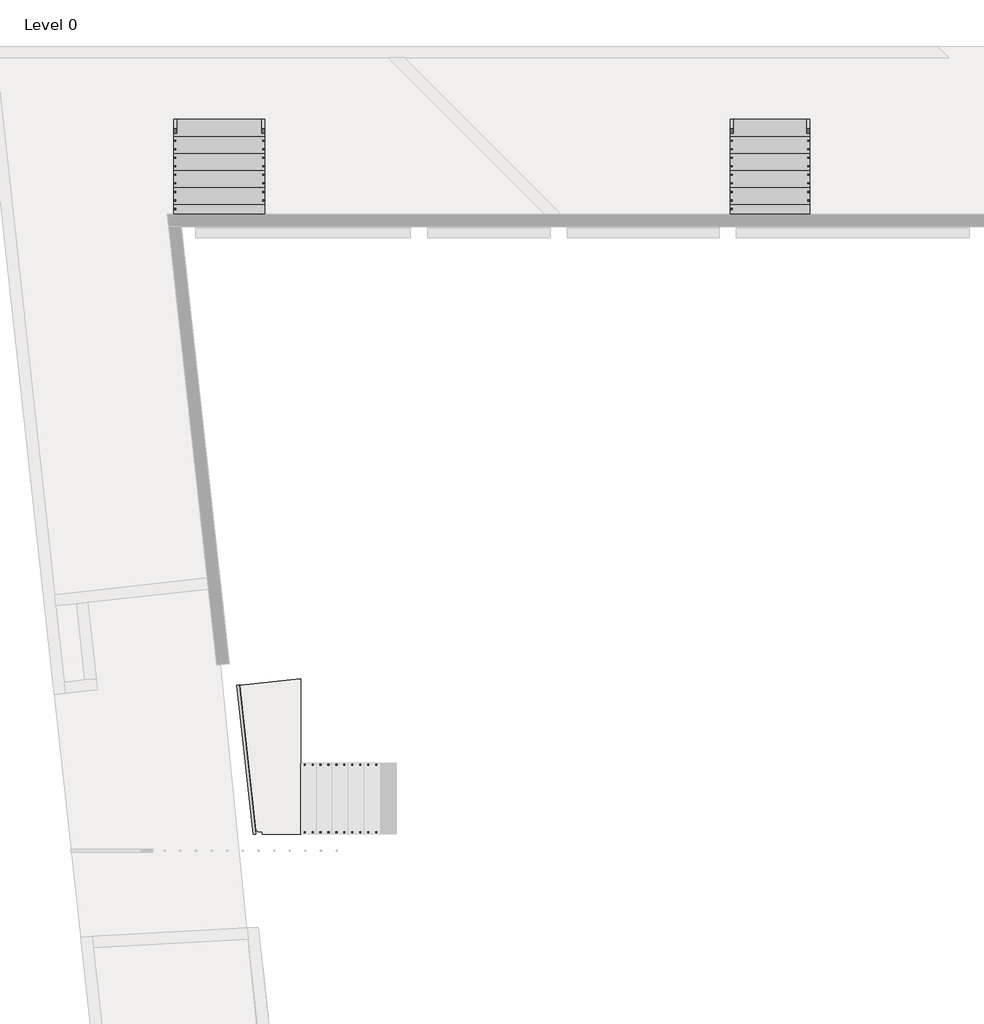
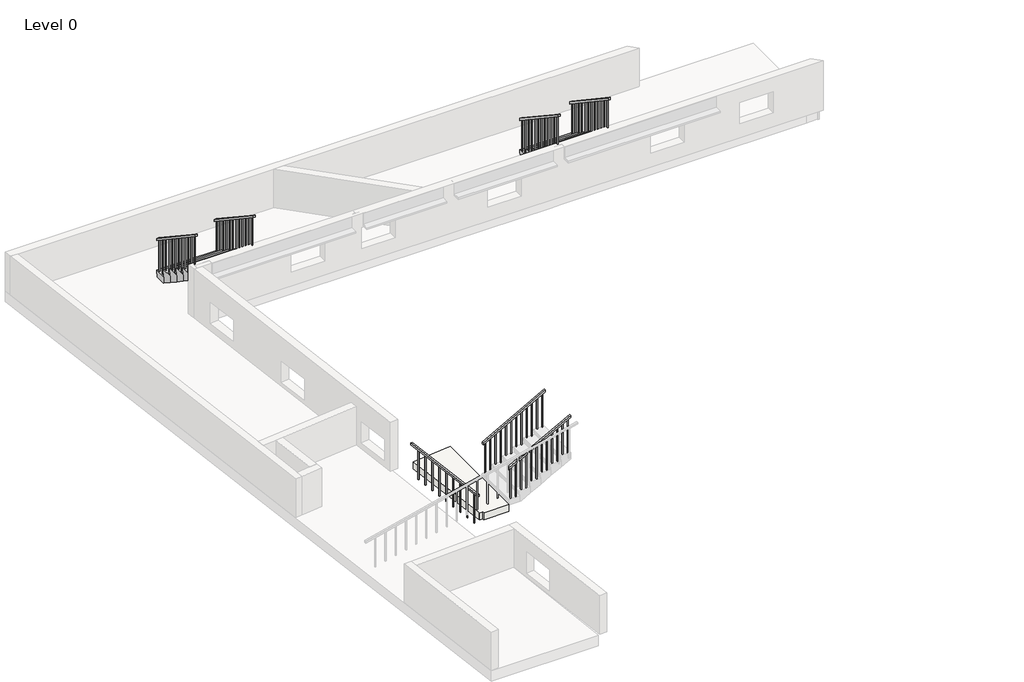
# One storey, part 2 of 2: 7 railings, 2 stair flights, 1 slab.
"""IFC4 building model written with IfcOpenShell, lengths in millimetres."""

import ifcopenshell
import ifcopenshell.guid

model = None  # the IFC model being written
_history = None  # IfcOwnerHistory: only IFC2X3 demands one
_inside = {}  # id of a spatial element -> (the spatial element, [elements in it])
_under = {}  # id of a project, library or spatial element -> (it, [spatial elements below it])
_declared = {}  # id of a project -> (the project, [libraries it declares])
_typed = {}  # id of a type object -> (the type object, [elements of that type])
_made_of = {}  # id of a material, layer set ... -> (it, [elements and type objects made of it])


def new_model(schema):
    """Start an empty IFC model of exactly this schema.

    Asked for "IFC4X3", IfcOpenShell would pick the latest addendum, in which some entities
    have other attributes; the version numbers below select the first issue.
    IFC2X3 requires an IfcOwnerHistory on every rooted entity: one is made here for all.
    """
    global model, _history
    if schema == "IFC4X3":
        model = ifcopenshell.file(schema_version=(4, 3, 0, 0))
    else:
        model = ifcopenshell.file(schema=schema)
    _inside.clear()
    _under.clear()
    _declared.clear()
    _typed.clear()
    _made_of.clear()
    _history = None
    if model.schema == "IFC2X3":
        org = make("IfcOrganization", Name="unknown")
        user = make(
            "IfcPersonAndOrganization",
            ThePerson=make("IfcPerson", FamilyName="unknown"),
            TheOrganization=org,
        )
        app = make(
            "IfcApplication",
            ApplicationDeveloper=org,
            Version="unknown",
            ApplicationFullName="unknown",
            ApplicationIdentifier="unknown",
        )
        _history = make(
            "IfcOwnerHistory",
            OwningUser=user,
            OwningApplication=app,
            ChangeAction="ADDED",
            CreationDate=0,
        )
    return model


def make(cls, **values):
    """One entity of the class cls with the attributes given. An attribute that is None is left unset."""
    return model.create_entity(
        cls, **{name: value for name, value in values.items() if value is not None}
    )


def rooted(cls, **values):
    """An entity with a GlobalId (a new one), such as an element, a storey or a relation."""
    return make(cls, GlobalId=ifcopenshell.guid.new(), OwnerHistory=_history, **values)


def si_unit(unit_type, name, prefix=None):
    """IfcSIUnit, for example si_unit("LENGTHUNIT", "METRE", prefix="MILLI")."""
    return make("IfcSIUnit", UnitType=unit_type, Prefix=prefix, Name=name)


def assignment(units):
    """IfcUnitAssignment: the units of a project."""
    return None if units is None else make("IfcUnitAssignment", Units=units)


def point(xyz):
    """IfcCartesianPoint."""
    return None if xyz is None else make("IfcCartesianPoint", Coordinates=xyz)


def direction(xyz):
    """IfcDirection."""
    return None if xyz is None else make("IfcDirection", DirectionRatios=xyz)


def frame(location, z_axis=None, x_axis=None):
    """IfcAxis2Placement3D, a coordinate frame: its origin and axes. An axis left out is left unset."""
    return make(
        "IfcAxis2Placement3D",
        Location=point(location),
        Axis=direction(z_axis),
        RefDirection=direction(x_axis),
    )


def origin():
    """The frame at (0, 0, 0) with its axes left unset."""
    return frame((0.0, 0.0, 0.0))


def place(relative_to, where):
    """IfcLocalPlacement: puts the frame where relative to a parent placement (None: the world)."""
    return make(
        "IfcLocalPlacement", PlacementRelTo=relative_to, RelativePlacement=where
    )


def context(
    kind, dimensions, precision=None, world=None, true_north=None, identifier=None
):
    """IfcGeometricRepresentationContext, for example the 3D "Model" context."""
    return make(
        "IfcGeometricRepresentationContext",
        ContextIdentifier=identifier,
        ContextType=kind,
        CoordinateSpaceDimension=dimensions,
        Precision=precision,
        WorldCoordinateSystem=world,
        TrueNorth=true_north,
    )


def project(units=None, contexts=None):
    """IfcProject with its units and contexts."""
    return rooted(
        "IfcProject",
        Name="project",
        RepresentationContexts=contexts,
        UnitsInContext=assignment(units),
    )


def spatial(cls, under=None, at=None, **own):
    """A site, building, storey or space (cls), placed at a placement, below another one or the project."""
    s = rooted(cls, ObjectPlacement=at, **own)
    if under is not None:
        _under.setdefault(under.id(), (under, []))[1].append(s)
    return s


def polyline(points):
    """IfcPolyline through the points."""
    return make("IfcPolyline", Points=[point(p) for p in points])


def outline(outer, holes=None, kind="AREA"):
    """IfcArbitraryClosedProfileDef: a profile drawn as a closed curve; with holes, ...WithVoids."""
    if holes is None:
        return make("IfcArbitraryClosedProfileDef", ProfileType=kind, OuterCurve=outer)
    return make(
        "IfcArbitraryProfileDefWithVoids",
        ProfileType=kind,
        OuterCurve=outer,
        InnerCurves=holes,
    )


def extrude(swept, where, along, depth):
    """IfcExtrudedAreaSolid: the profile swept, set in the frame where, extruded along a direction by depth."""
    return make(
        "IfcExtrudedAreaSolid",
        SweptArea=swept,
        Position=where,
        ExtrudedDirection=direction(along),
        Depth=depth,
    )


def faces_of(points, faces, orient=None, outer=None):
    """IfcFace entities. A face is a list of loops; a loop is a list of indices into points, from 0.

    orient and outer hold one flag for each loop. By default every Orientation is true, the
    first loop of a face is its IfcFaceOuterBound and the others are IfcFaceBound.
    """
    made = []
    for i, loops in enumerate(faces):
        bounds = []
        for j, loop in enumerate(loops):
            is_outer = j == 0 if outer is None else outer[i][j]
            bounds.append(
                make(
                    "IfcFaceOuterBound" if is_outer else "IfcFaceBound",
                    Bound=make("IfcPolyLoop", Polygon=[points[k] for k in loop]),
                    Orientation=True if orient is None else orient[i][j],
                )
            )
        made.append(make("IfcFace", Bounds=bounds))
    return made


def faceted_brep(points, faces, orient=None, outer=None, voids=None):
    """IfcFacetedBrep: a solid bounded by flat faces; with voids (closed shells), ...WithVoids."""
    shared = [point(p) for p in points]
    hull = make("IfcClosedShell", CfsFaces=faces_of(shared, faces, orient, outer))
    if voids is None:
        return make("IfcFacetedBrep", Outer=hull)
    return make(
        "IfcFacetedBrepWithVoids",
        Outer=hull,
        Voids=[
            make(cls, CfsFaces=faces_of(shared, fs, o, b)) for cls, fs, o, b in voids
        ],
    )


def shape(context_of_items, identifier, shape_type, items):
    """IfcShapeRepresentation: the items that make up one representation, for example the "Body"."""
    return make(
        "IfcShapeRepresentation",
        ContextOfItems=context_of_items,
        RepresentationIdentifier=identifier,
        RepresentationType=shape_type,
        Items=items,
    )


def made_of(thing, what):
    """Note that an element or type object is made of a material, layer set ...; save() writes the relation."""
    if what is not None:
        _made_of.setdefault(what.id(), (what, []))[1].append(thing)
    return thing


def element(
    cls,
    number,
    at=None,
    inside=None,
    cuts=None,
    type_object=None,
    material=None,
    context=None,
    identifier="Body",
    shape_type=None,
    held_by="IfcProductDefinitionShape",
    body=None,
    shapes=None,
    **own,
):
    """One element of the class cls, such as IfcWall. Its Tag is "e" and its number.

    at: its placement. inside: the storey or other place that contains it. cuts: it is an
    opening in that element (IfcRelVoidsElement). A single representation is given by context,
    identifier, shape_type and body (its items); several are given by shapes. held_by: the class
    of the entity that holds the representations. save() writes the other relations.
    """
    e = rooted(cls, Tag="e%d" % number, ObjectPlacement=at, **own)
    if body is not None:
        shapes = [shape(context, identifier, shape_type, body)]
    if shapes is not None:
        e.Representation = make(held_by, Representations=shapes)
    if inside is not None:
        _inside.setdefault(inside.id(), (inside, []))[1].append(e)
    if cuts is not None:
        rooted(
            "IfcRelVoidsElement", RelatingBuildingElement=cuts, RelatedOpeningElement=e
        )
    if type_object is not None:
        _typed.setdefault(type_object.id(), (type_object, []))[1].append(e)
    return made_of(e, material)


def aggregate(whole, parts):
    """IfcRelAggregates: a whole, such as a stair, and the parts it consists of."""
    return rooted("IfcRelAggregates", RelatingObject=whole, RelatedObjects=parts)


def save(model, path):
    """Write the relations noted so far, then the file.

    IfcRelAggregates (storeys below a building ...), IfcRelContainedInSpatialStructure (elements
    in a storey), IfcRelDefinesByType, IfcRelAssociatesMaterial and IfcRelDeclares: one each for
    every whole, place, type object, material and project.
    """
    for whole, parts in _under.values():
        aggregate(whole, parts)
    for where, things in _inside.values():
        rooted(
            "IfcRelContainedInSpatialStructure",
            RelatedElements=things,
            RelatingStructure=where,
        )
    for kind, things in _typed.values():
        rooted("IfcRelDefinesByType", RelatedObjects=things, RelatingType=kind)
    for what, things in _made_of.values():
        rooted("IfcRelAssociatesMaterial", RelatedObjects=things, RelatingMaterial=what)
    for by, libraries in _declared.values():
        rooted("IfcRelDeclares", RelatingContext=by, RelatedDefinitions=libraries)
    model.write(path)


model = new_model("IFC4")

# Units and contexts
model_context = context("Model", 3, world=origin())
ifc_project = project(units=[si_unit("LENGTHUNIT", "METRE", prefix="MILLI")], contexts=[model_context])

# Site, building, storey
site = spatial("IfcSite", under=ifc_project)
building = spatial("IfcBuilding", under=site)
storey = spatial("IfcBuildingStorey", under=building, Name="Level 0", Elevation=0.0)

# Railings
placement = place(None, origin())
element("IfcRailing", 1, ObjectType="900mm", at=placement, inside=storey, context=model_context, shape_type="SweptSolid", body=[
    extrude(outline(polyline([(1382.8571429, 2021.1968697), (1325.8916519, 2021.1968697), (2243.034509, 3701.1968697), (2300.0, 3701.1968697), (1382.8571429, 2021.1968697)])), frame((0.0, -10622.9406474, 0.0), z_axis=(0.0, 1.0, 0.0), x_axis=(0.0, 0.0, 1.0)), (0.0, 0.0, 1.0), 50.0),
    extrude(outline(polyline([(2199.3610397, 3621.1968697), (1247.1428571, 3621.1968697), (1247.1428571, 3641.1968697), (2210.279407, 3641.1968697), (2199.3610397, 3621.1968697)])), frame((0.0, -10607.9406474, 0.0), z_axis=(0.0, 1.0, 0.0), x_axis=(0.0, 0.0, 1.0)), (0.0, 0.0, 1.0), 20.0),
    extrude(outline(polyline([(2122.9324682, 3481.1968697), (1247.1428571, 3481.1968697), (1247.1428571, 3501.1968697), (2133.8508356, 3501.1968697), (2122.9324682, 3481.1968697)])), frame((0.0, -10607.9406474, 0.0), z_axis=(0.0, 1.0, 0.0), x_axis=(0.0, 0.0, 1.0)), (0.0, 0.0, 1.0), 20.0),
    extrude(outline(polyline([(2046.5038968, 3341.1968697), (1094.2857143, 3341.1968697), (1094.2857143, 3361.1968697), (2057.4222641, 3361.1968697), (2046.5038968, 3341.1968697)])), frame((0.0, -10607.9406474, 0.0), z_axis=(0.0, 1.0, 0.0), x_axis=(0.0, 0.0, 1.0)), (0.0, 0.0, 1.0), 20.0),
    extrude(outline(polyline([(1970.0753254, 3201.1968697), (1094.2857143, 3201.1968697), (1094.2857143, 3221.1968697), (1980.9936927, 3221.1968697), (1970.0753254, 3201.1968697)])), frame((0.0, -10607.9406474, 0.0), z_axis=(0.0, 1.0, 0.0), x_axis=(0.0, 0.0, 1.0)), (0.0, 0.0, 1.0), 20.0),
    extrude(outline(polyline([(1893.6467539, 3061.1968697), (941.4285714, 3061.1968697), (941.4285714, 3081.1968697), (1904.5651213, 3081.1968697), (1893.6467539, 3061.1968697)])), frame((0.0, -10607.9406474, 0.0), z_axis=(0.0, 1.0, 0.0), x_axis=(0.0, 0.0, 1.0)), (0.0, 0.0, 1.0), 20.0),
    extrude(outline(polyline([(1817.2181825, 2921.1968697), (941.4285714, 2921.1968697), (941.4285714, 2941.1968697), (1828.1365499, 2941.1968697), (1817.2181825, 2921.1968697)])), frame((0.0, -10607.9406474, 0.0), z_axis=(0.0, 1.0, 0.0), x_axis=(0.0, 0.0, 1.0)), (0.0, 0.0, 1.0), 20.0),
    extrude(outline(polyline([(1740.7896111, 2781.1968697), (788.5714286, 2781.1968697), (788.5714286, 2801.1968697), (1751.7079784, 2801.1968697), (1740.7896111, 2781.1968697)])), frame((0.0, -10607.9406474, 0.0), z_axis=(0.0, 1.0, 0.0), x_axis=(0.0, 0.0, 1.0)), (0.0, 0.0, 1.0), 20.0),
    extrude(outline(polyline([(1664.3610397, 2641.1968697), (788.5714286, 2641.1968697), (788.5714286, 2661.1968697), (1675.279407, 2661.1968697), (1664.3610397, 2641.1968697)])), frame((0.0, -10607.9406474, 0.0), z_axis=(0.0, 1.0, 0.0), x_axis=(0.0, 0.0, 1.0)), (0.0, 0.0, 1.0), 20.0),
    extrude(outline(polyline([(1587.9324682, 2501.1968697), (635.7142857, 2501.1968697), (635.7142857, 2521.1968697), (1598.8508356, 2521.1968697), (1587.9324682, 2501.1968697)])), frame((0.0, -10607.9406474, 0.0), z_axis=(0.0, 1.0, 0.0), x_axis=(0.0, 0.0, 1.0)), (0.0, 0.0, 1.0), 20.0),
    extrude(outline(polyline([(1511.5038968, 2361.1968697), (635.7142857, 2361.1968697), (635.7142857, 2381.1968697), (1522.4222641, 2381.1968697), (1511.5038968, 2361.1968697)])), frame((0.0, -10607.9406474, 0.0), z_axis=(0.0, 1.0, 0.0), x_axis=(0.0, 0.0, 1.0)), (0.0, 0.0, 1.0), 20.0),
    extrude(outline(polyline([(1435.0753254, 2221.1968697), (482.8571429, 2221.1968697), (482.8571429, 2241.1968697), (1445.9936927, 2241.1968697), (1435.0753254, 2221.1968697)])), frame((0.0, -10607.9406474, 0.0), z_axis=(0.0, 1.0, 0.0), x_axis=(0.0, 0.0, 1.0)), (0.0, 0.0, 1.0), 20.0),
    extrude(outline(polyline([(1358.6467539, 2081.1968697), (482.8571429, 2081.1968697), (482.8571429, 2101.1968697), (1369.5651213, 2101.1968697), (1358.6467539, 2081.1968697)])), frame((0.0, -10607.9406474, 0.0), z_axis=(0.0, 1.0, 0.0), x_axis=(0.0, 0.0, 1.0)), (0.0, 0.0, 1.0), 20.0),
])
element("IfcRailing", 2, ObjectType="900mm", at=placement, inside=storey, context=model_context, shape_type="SweptSolid", body=[
    extrude(outline(polyline([(1382.8571429, 2021.1968697), (1325.8916519, 2021.1968697), (2243.034509, 3701.1968697), (2300.0, 3701.1968697), (1382.8571429, 2021.1968697)])), frame((0.0, -9435.6097641, 0.0), z_axis=(0.0, 1.0, 0.0), x_axis=(0.0, 0.0, 1.0)), (0.0, 0.0, 1.0), 50.0),
    extrude(outline(polyline([(1247.1428571, 3621.1968697), (1247.1428571, 3641.1968697), (2210.279407, 3641.1968697), (2199.3610397, 3621.1968697), (1247.1428571, 3621.1968697)])), frame((0.0, -9420.6097641, 0.0), z_axis=(0.0, 1.0, 0.0), x_axis=(0.0, 0.0, 1.0)), (0.0, 0.0, 1.0), 20.0),
    extrude(outline(polyline([(1247.1428571, 3481.1968697), (1247.1428571, 3501.1968697), (2133.8508356, 3501.1968697), (2122.9324682, 3481.1968697), (1247.1428571, 3481.1968697)])), frame((0.0, -9420.6097641, 0.0), z_axis=(0.0, 1.0, 0.0), x_axis=(0.0, 0.0, 1.0)), (0.0, 0.0, 1.0), 20.0),
    extrude(outline(polyline([(1094.2857143, 3341.1968697), (1094.2857143, 3361.1968697), (2057.4222641, 3361.1968697), (2046.5038968, 3341.1968697), (1094.2857143, 3341.1968697)])), frame((0.0, -9420.6097641, 0.0), z_axis=(0.0, 1.0, 0.0), x_axis=(0.0, 0.0, 1.0)), (0.0, 0.0, 1.0), 20.0),
    extrude(outline(polyline([(1094.2857143, 3201.1968697), (1094.2857143, 3221.1968697), (1980.9936927, 3221.1968697), (1970.0753254, 3201.1968697), (1094.2857143, 3201.1968697)])), frame((0.0, -9420.6097641, 0.0), z_axis=(0.0, 1.0, 0.0), x_axis=(0.0, 0.0, 1.0)), (0.0, 0.0, 1.0), 20.0),
    extrude(outline(polyline([(941.4285714, 3061.1968697), (941.4285714, 3081.1968697), (1904.5651213, 3081.1968697), (1893.6467539, 3061.1968697), (941.4285714, 3061.1968697)])), frame((0.0, -9420.6097641, 0.0), z_axis=(0.0, 1.0, 0.0), x_axis=(0.0, 0.0, 1.0)), (0.0, 0.0, 1.0), 20.0),
    extrude(outline(polyline([(941.4285714, 2921.1968697), (941.4285714, 2941.1968697), (1828.1365499, 2941.1968697), (1817.2181825, 2921.1968697), (941.4285714, 2921.1968697)])), frame((0.0, -9420.6097641, 0.0), z_axis=(0.0, 1.0, 0.0), x_axis=(0.0, 0.0, 1.0)), (0.0, 0.0, 1.0), 20.0),
    extrude(outline(polyline([(788.5714286, 2781.1968697), (788.5714286, 2801.1968697), (1751.7079784, 2801.1968697), (1740.7896111, 2781.1968697), (788.5714286, 2781.1968697)])), frame((0.0, -9420.6097641, 0.0), z_axis=(0.0, 1.0, 0.0), x_axis=(0.0, 0.0, 1.0)), (0.0, 0.0, 1.0), 20.0),
    extrude(outline(polyline([(788.5714286, 2641.1968697), (788.5714286, 2661.1968697), (1675.279407, 2661.1968697), (1664.3610397, 2641.1968697), (788.5714286, 2641.1968697)])), frame((0.0, -9420.6097641, 0.0), z_axis=(0.0, 1.0, 0.0), x_axis=(0.0, 0.0, 1.0)), (0.0, 0.0, 1.0), 20.0),
    extrude(outline(polyline([(635.7142857, 2501.1968697), (635.7142857, 2521.1968697), (1598.8508356, 2521.1968697), (1587.9324682, 2501.1968697), (635.7142857, 2501.1968697)])), frame((0.0, -9420.6097641, 0.0), z_axis=(0.0, 1.0, 0.0), x_axis=(0.0, 0.0, 1.0)), (0.0, 0.0, 1.0), 20.0),
    extrude(outline(polyline([(635.7142857, 2361.1968697), (635.7142857, 2381.1968697), (1522.4222641, 2381.1968697), (1511.5038968, 2361.1968697), (635.7142857, 2361.1968697)])), frame((0.0, -9420.6097641, 0.0), z_axis=(0.0, 1.0, 0.0), x_axis=(0.0, 0.0, 1.0)), (0.0, 0.0, 1.0), 20.0),
    extrude(outline(polyline([(482.8571429, 2221.1968697), (482.8571429, 2241.1968697), (1445.9936927, 2241.1968697), (1435.0753254, 2221.1968697), (482.8571429, 2221.1968697)])), frame((0.0, -9420.6097641, 0.0), z_axis=(0.0, 1.0, 0.0), x_axis=(0.0, 0.0, 1.0)), (0.0, 0.0, 1.0), 20.0),
    extrude(outline(polyline([(482.8571429, 2081.1968697), (482.8571429, 2101.1968697), (1369.5651213, 2101.1968697), (1358.6467539, 2081.1968697), (482.8571429, 2081.1968697)])), frame((0.0, -9420.6097641, 0.0), z_axis=(0.0, 1.0, 0.0), x_axis=(0.0, 0.0, 1.0)), (0.0, 0.0, 1.0), 20.0),
])
element("IfcRailing", 3, ObjectType="900mm", at=placement, inside=storey, context=model_context, shape_type="SweptSolid", body=[
    extrude(outline(polyline([(894.9955806, -8004.2431051), (944.6966774, -7998.7840782), (1233.5343875, -10628.4745368), (1183.8332907, -10633.9335637), (894.9955806, -8004.2431051)])), frame((0.0, 0.0, 856.9489952), z_axis=(0.0, 0.0, 1.0), x_axis=(1.0, 0.0, 0.0)), (0.0, 0.0, 1.0), 50.0),
    extrude(outline(polyline([(1179.0359366, -10452.8694703), (1198.9163754, -10450.6858595), (1201.0999861, -10470.5662982), (1181.2195474, -10472.749909), (1179.0359366, -10452.8694703)])), frame((0.0, 0.0, 6.9489952), z_axis=(0.0, 0.0, 1.0), x_axis=(1.0, 0.0, 0.0)), (0.0, 0.0, 1.0), 850.0),
    extrude(outline(polyline([(1149.0112886, -10179.5134377), (1168.8917273, -10177.329827), (1171.0753381, -10197.2102657), (1151.1948994, -10199.3938765), (1149.0112886, -10179.5134377)])), frame((0.0, 0.0, 6.9489952), z_axis=(0.0, 0.0, 1.0), x_axis=(1.0, 0.0, 0.0)), (0.0, 0.0, 1.0), 850.0),
    extrude(outline(polyline([(1118.9866405, -9906.1574052), (1138.8670793, -9903.9737945), (1141.05069, -9923.8542332), (1121.1702513, -9926.037844), (1118.9866405, -9906.1574052)])), frame((0.0, 0.0, 6.9489952), z_axis=(0.0, 0.0, 1.0), x_axis=(1.0, 0.0, 0.0)), (0.0, 0.0, 1.0), 850.0),
    extrude(outline(polyline([(1088.9619925, -9632.8013727), (1108.8424312, -9630.617762), (1111.026042, -9650.4982007), (1091.1456033, -9652.6818115), (1088.9619925, -9632.8013727)])), frame((0.0, 0.0, 6.9489952), z_axis=(0.0, 0.0, 1.0), x_axis=(1.0, 0.0, 0.0)), (0.0, 0.0, 1.0), 850.0),
    extrude(outline(polyline([(1058.9373445, -9359.4453402), (1078.8177832, -9357.2617294), (1081.001394, -9377.1421682), (1061.1209552, -9379.3257789), (1058.9373445, -9359.4453402)])), frame((0.0, 0.0, 6.9489952), z_axis=(0.0, 0.0, 1.0), x_axis=(1.0, 0.0, 0.0)), (0.0, 0.0, 1.0), 850.0),
    extrude(outline(polyline([(1028.9126964, -9086.0893077), (1048.7931352, -9083.9056969), (1050.9767459, -9103.7861357), (1031.0963072, -9105.9697464), (1028.9126964, -9086.0893077)])), frame((0.0, 0.0, 6.9489952), z_axis=(0.0, 0.0, 1.0), x_axis=(1.0, 0.0, 0.0)), (0.0, 0.0, 1.0), 850.0),
    extrude(outline(polyline([(998.8880484, -8812.7332752), (1018.7684871, -8810.5496644), (1020.9520979, -8830.4301032), (1001.0716591, -8832.6137139), (998.8880484, -8812.7332752)])), frame((0.0, 0.0, 6.9489952), z_axis=(0.0, 0.0, 1.0), x_axis=(1.0, 0.0, 0.0)), (0.0, 0.0, 1.0), 850.0),
    extrude(outline(polyline([(968.8634003, -8539.3772427), (988.7438391, -8537.1936319), (990.9274498, -8557.0740706), (971.0470111, -8559.2576814), (968.8634003, -8539.3772427)])), frame((0.0, 0.0, 6.9489952), z_axis=(0.0, 0.0, 1.0), x_axis=(1.0, 0.0, 0.0)), (0.0, 0.0, 1.0), 850.0),
    extrude(outline(polyline([(938.8387523, -8266.0212102), (958.719191, -8263.8375994), (960.9028018, -8283.7180381), (941.0223631, -8285.9016489), (938.8387523, -8266.0212102)])), frame((0.0, 0.0, 6.9489952), z_axis=(0.0, 0.0, 1.0), x_axis=(1.0, 0.0, 0.0)), (0.0, 0.0, 1.0), 850.0),
])
element("IfcRailing", 4, ObjectType="900mm", at=placement, inside=storey, context=model_context, shape_type="SweptSolid", body=[
    extrude(outline(polyline([(1946.6593526, 1100.0), (1946.6593526, 1039.9074787), (146.6593526, 2239.9074787), (146.6593526, 2300.0), (1946.6593526, 1100.0)])), frame((-211.0223728, 0.0, 0.0), z_axis=(1.0, 0.0, 0.0), x_axis=(0.0, 1.0, 0.0)), (0.0, 0.0, 1.0), 50.0),
    extrude(outline(polyline([(231.6593526, 2183.2408121), (231.6593526, 1200.0), (211.6593526, 1200.0), (211.6593526, 2196.5741454), (231.6593526, 2183.2408121)])), frame((-196.0223728, 0.0, 0.0), z_axis=(1.0, 0.0, 0.0), x_axis=(0.0, 1.0, 0.0)), (0.0, 0.0, 1.0), 20.0),
    extrude(outline(polyline([(381.6593526, 2083.2408121), (381.6593526, 1200.0), (361.6593526, 1200.0), (361.6593526, 2096.5741454), (381.6593526, 2083.2408121)])), frame((-196.0223728, 0.0, 0.0), z_axis=(1.0, 0.0, 0.0), x_axis=(0.0, 1.0, 0.0)), (0.0, 0.0, 1.0), 20.0),
    extrude(outline(polyline([(531.6593526, 1983.2408121), (531.6593526, 1000.0), (511.6593526, 1000.0), (511.6593526, 1996.5741454), (531.6593526, 1983.2408121)])), frame((-196.0223728, 0.0, 0.0), z_axis=(1.0, 0.0, 0.0), x_axis=(0.0, 1.0, 0.0)), (0.0, 0.0, 1.0), 20.0),
    extrude(outline(polyline([(681.6593526, 1883.2408121), (681.6593526, 1000.0), (661.6593526, 1000.0), (661.6593526, 1896.5741454), (681.6593526, 1883.2408121)])), frame((-196.0223728, 0.0, 0.0), z_axis=(1.0, 0.0, 0.0), x_axis=(0.0, 1.0, 0.0)), (0.0, 0.0, 1.0), 20.0),
    extrude(outline(polyline([(831.6593526, 1783.2408121), (831.6593526, 800.0), (811.6593526, 800.0), (811.6593526, 1796.5741454), (831.6593526, 1783.2408121)])), frame((-196.0223728, 0.0, 0.0), z_axis=(1.0, 0.0, 0.0), x_axis=(0.0, 1.0, 0.0)), (0.0, 0.0, 1.0), 20.0),
    extrude(outline(polyline([(981.6593526, 1683.2408121), (981.6593526, 800.0), (961.6593526, 800.0), (961.6593526, 1696.5741454), (981.6593526, 1683.2408121)])), frame((-196.0223728, 0.0, 0.0), z_axis=(1.0, 0.0, 0.0), x_axis=(0.0, 1.0, 0.0)), (0.0, 0.0, 1.0), 20.0),
    extrude(outline(polyline([(1131.6593526, 1583.2408121), (1131.6593526, 600.0), (1111.6593526, 600.0), (1111.6593526, 1596.5741454), (1131.6593526, 1583.2408121)])), frame((-196.0223728, 0.0, 0.0), z_axis=(1.0, 0.0, 0.0), x_axis=(0.0, 1.0, 0.0)), (0.0, 0.0, 1.0), 20.0),
    extrude(outline(polyline([(1281.6593526, 1483.2408121), (1281.6593526, 600.0), (1261.6593526, 600.0), (1261.6593526, 1496.5741454), (1281.6593526, 1483.2408121)])), frame((-196.0223728, 0.0, 0.0), z_axis=(1.0, 0.0, 0.0), x_axis=(0.0, 1.0, 0.0)), (0.0, 0.0, 1.0), 20.0),
    extrude(outline(polyline([(1431.6593526, 1383.2408121), (1431.6593526, 400.0), (1411.6593526, 400.0), (1411.6593526, 1396.5741454), (1431.6593526, 1383.2408121)])), frame((-196.0223728, 0.0, 0.0), z_axis=(1.0, 0.0, 0.0), x_axis=(0.0, 1.0, 0.0)), (0.0, 0.0, 1.0), 20.0),
    extrude(outline(polyline([(1581.6593526, 1283.2408121), (1581.6593526, 400.0), (1561.6593526, 400.0), (1561.6593526, 1296.5741454), (1581.6593526, 1283.2408121)])), frame((-196.0223728, 0.0, 0.0), z_axis=(1.0, 0.0, 0.0), x_axis=(0.0, 1.0, 0.0)), (0.0, 0.0, 1.0), 20.0),
    extrude(outline(polyline([(1731.6593526, 1183.2408121), (1731.6593526, 200.0), (1711.6593526, 200.0), (1711.6593526, 1196.5741454), (1731.6593526, 1183.2408121)])), frame((-196.0223728, 0.0, 0.0), z_axis=(1.0, 0.0, 0.0), x_axis=(0.0, 1.0, 0.0)), (0.0, 0.0, 1.0), 20.0),
    extrude(outline(polyline([(1881.6593526, 1083.2408121), (1881.6593526, 200.0), (1861.6593526, 200.0), (1861.6593526, 1096.5741454), (1881.6593526, 1083.2408121)])), frame((-196.0223728, 0.0, 0.0), z_axis=(1.0, 0.0, 0.0), x_axis=(0.0, 1.0, 0.0)), (0.0, 0.0, 1.0), 20.0),
])
element("IfcRailing", 5, ObjectType="900mm", at=placement, inside=storey, context=model_context, shape_type="SweptSolid", body=[
    extrude(outline(polyline([(1946.6593526, 1100.0), (1946.6593526, 1039.9074787), (121.6593526, 2256.5741454), (121.6593526, 2316.6666667), (1946.6593526, 1100.0)])), frame((1338.1776272, 0.0, 0.0), z_axis=(1.0, 0.0, 0.0), x_axis=(0.0, 1.0, 0.0)), (0.0, 0.0, 1.0), 50.0),
    extrude(outline(polyline([(231.6593526, 1200.0), (211.6593526, 1200.0), (211.6593526, 2196.5741454), (231.6593526, 2183.2408121), (231.6593526, 1200.0)])), frame((1353.1776272, 0.0, 0.0), z_axis=(1.0, 0.0, 0.0), x_axis=(0.0, 1.0, 0.0)), (0.0, 0.0, 1.0), 20.0),
    extrude(outline(polyline([(381.6593526, 1200.0), (361.6593526, 1200.0), (361.6593526, 2096.5741454), (381.6593526, 2083.2408121), (381.6593526, 1200.0)])), frame((1353.1776272, 0.0, 0.0), z_axis=(1.0, 0.0, 0.0), x_axis=(0.0, 1.0, 0.0)), (0.0, 0.0, 1.0), 20.0),
    extrude(outline(polyline([(531.6593526, 1000.0), (511.6593526, 1000.0), (511.6593526, 1996.5741454), (531.6593526, 1983.2408121), (531.6593526, 1000.0)])), frame((1353.1776272, 0.0, 0.0), z_axis=(1.0, 0.0, 0.0), x_axis=(0.0, 1.0, 0.0)), (0.0, 0.0, 1.0), 20.0),
    extrude(outline(polyline([(681.6593526, 1000.0), (661.6593526, 1000.0), (661.6593526, 1896.5741454), (681.6593526, 1883.2408121), (681.6593526, 1000.0)])), frame((1353.1776272, 0.0, 0.0), z_axis=(1.0, 0.0, 0.0), x_axis=(0.0, 1.0, 0.0)), (0.0, 0.0, 1.0), 20.0),
    extrude(outline(polyline([(831.6593526, 800.0), (811.6593526, 800.0), (811.6593526, 1796.5741454), (831.6593526, 1783.2408121), (831.6593526, 800.0)])), frame((1353.1776272, 0.0, 0.0), z_axis=(1.0, 0.0, 0.0), x_axis=(0.0, 1.0, 0.0)), (0.0, 0.0, 1.0), 20.0),
    extrude(outline(polyline([(981.6593526, 800.0), (961.6593526, 800.0), (961.6593526, 1696.5741454), (981.6593526, 1683.2408121), (981.6593526, 800.0)])), frame((1353.1776272, 0.0, 0.0), z_axis=(1.0, 0.0, 0.0), x_axis=(0.0, 1.0, 0.0)), (0.0, 0.0, 1.0), 20.0),
    extrude(outline(polyline([(1131.6593526, 600.0), (1111.6593526, 600.0), (1111.6593526, 1596.5741454), (1131.6593526, 1583.2408121), (1131.6593526, 600.0)])), frame((1353.1776272, 0.0, 0.0), z_axis=(1.0, 0.0, 0.0), x_axis=(0.0, 1.0, 0.0)), (0.0, 0.0, 1.0), 20.0),
    extrude(outline(polyline([(1281.6593526, 600.0), (1261.6593526, 600.0), (1261.6593526, 1496.5741454), (1281.6593526, 1483.2408121), (1281.6593526, 600.0)])), frame((1353.1776272, 0.0, 0.0), z_axis=(1.0, 0.0, 0.0), x_axis=(0.0, 1.0, 0.0)), (0.0, 0.0, 1.0), 20.0),
    extrude(outline(polyline([(1431.6593526, 400.0), (1411.6593526, 400.0), (1411.6593526, 1396.5741454), (1431.6593526, 1383.2408121), (1431.6593526, 400.0)])), frame((1353.1776272, 0.0, 0.0), z_axis=(1.0, 0.0, 0.0), x_axis=(0.0, 1.0, 0.0)), (0.0, 0.0, 1.0), 20.0),
    extrude(outline(polyline([(1581.6593526, 400.0), (1561.6593526, 400.0), (1561.6593526, 1296.5741454), (1581.6593526, 1283.2408121), (1581.6593526, 400.0)])), frame((1353.1776272, 0.0, 0.0), z_axis=(1.0, 0.0, 0.0), x_axis=(0.0, 1.0, 0.0)), (0.0, 0.0, 1.0), 20.0),
    extrude(outline(polyline([(1731.6593526, 200.0), (1711.6593526, 200.0), (1711.6593526, 1196.5741454), (1731.6593526, 1183.2408121), (1731.6593526, 200.0)])), frame((1353.1776272, 0.0, 0.0), z_axis=(1.0, 0.0, 0.0), x_axis=(0.0, 1.0, 0.0)), (0.0, 0.0, 1.0), 20.0),
    extrude(outline(polyline([(1881.6593526, 200.0), (1861.6593526, 200.0), (1861.6593526, 1096.5741454), (1881.6593526, 1083.2408121), (1881.6593526, 200.0)])), frame((1353.1776272, 0.0, 0.0), z_axis=(1.0, 0.0, 0.0), x_axis=(0.0, 1.0, 0.0)), (0.0, 0.0, 1.0), 20.0),
])
element("IfcRailing", 6, ObjectType="900mm", at=placement, inside=storey, context=model_context, shape_type="SweptSolid", body=[
    extrude(outline(polyline([(1946.6593526, 1100.0), (1946.6593526, 1039.9074787), (146.6593526, 2239.9074787), (146.6593526, 2300.0), (1946.6593526, 1100.0)])), frame((9581.5262021, 0.0, 0.0), z_axis=(1.0, 0.0, 0.0), x_axis=(0.0, 1.0, 0.0)), (0.0, 0.0, 1.0), 50.0),
    extrude(outline(polyline([(231.6593526, 2183.2408121), (231.6593526, 1200.0), (211.6593526, 1200.0), (211.6593526, 2196.5741454), (231.6593526, 2183.2408121)])), frame((9596.5262021, 0.0, 0.0), z_axis=(1.0, 0.0, 0.0), x_axis=(0.0, 1.0, 0.0)), (0.0, 0.0, 1.0), 20.0),
    extrude(outline(polyline([(381.6593526, 2083.2408121), (381.6593526, 1200.0), (361.6593526, 1200.0), (361.6593526, 2096.5741454), (381.6593526, 2083.2408121)])), frame((9596.5262021, 0.0, 0.0), z_axis=(1.0, 0.0, 0.0), x_axis=(0.0, 1.0, 0.0)), (0.0, 0.0, 1.0), 20.0),
    extrude(outline(polyline([(531.6593526, 1983.2408121), (531.6593526, 1000.0), (511.6593526, 1000.0), (511.6593526, 1996.5741454), (531.6593526, 1983.2408121)])), frame((9596.5262021, 0.0, 0.0), z_axis=(1.0, 0.0, 0.0), x_axis=(0.0, 1.0, 0.0)), (0.0, 0.0, 1.0), 20.0),
    extrude(outline(polyline([(681.6593526, 1883.2408121), (681.6593526, 1000.0), (661.6593526, 1000.0), (661.6593526, 1896.5741454), (681.6593526, 1883.2408121)])), frame((9596.5262021, 0.0, 0.0), z_axis=(1.0, 0.0, 0.0), x_axis=(0.0, 1.0, 0.0)), (0.0, 0.0, 1.0), 20.0),
    extrude(outline(polyline([(831.6593526, 1783.2408121), (831.6593526, 800.0), (811.6593526, 800.0), (811.6593526, 1796.5741454), (831.6593526, 1783.2408121)])), frame((9596.5262021, 0.0, 0.0), z_axis=(1.0, 0.0, 0.0), x_axis=(0.0, 1.0, 0.0)), (0.0, 0.0, 1.0), 20.0),
    extrude(outline(polyline([(981.6593526, 1683.2408121), (981.6593526, 800.0), (961.6593526, 800.0), (961.6593526, 1696.5741454), (981.6593526, 1683.2408121)])), frame((9596.5262021, 0.0, 0.0), z_axis=(1.0, 0.0, 0.0), x_axis=(0.0, 1.0, 0.0)), (0.0, 0.0, 1.0), 20.0),
    extrude(outline(polyline([(1131.6593526, 1583.2408121), (1131.6593526, 600.0), (1111.6593526, 600.0), (1111.6593526, 1596.5741454), (1131.6593526, 1583.2408121)])), frame((9596.5262021, 0.0, 0.0), z_axis=(1.0, 0.0, 0.0), x_axis=(0.0, 1.0, 0.0)), (0.0, 0.0, 1.0), 20.0),
    extrude(outline(polyline([(1281.6593526, 1483.2408121), (1281.6593526, 600.0), (1261.6593526, 600.0), (1261.6593526, 1496.5741454), (1281.6593526, 1483.2408121)])), frame((9596.5262021, 0.0, 0.0), z_axis=(1.0, 0.0, 0.0), x_axis=(0.0, 1.0, 0.0)), (0.0, 0.0, 1.0), 20.0),
    extrude(outline(polyline([(1431.6593526, 1383.2408121), (1431.6593526, 400.0), (1411.6593526, 400.0), (1411.6593526, 1396.5741454), (1431.6593526, 1383.2408121)])), frame((9596.5262021, 0.0, 0.0), z_axis=(1.0, 0.0, 0.0), x_axis=(0.0, 1.0, 0.0)), (0.0, 0.0, 1.0), 20.0),
    extrude(outline(polyline([(1581.6593526, 1283.2408121), (1581.6593526, 400.0), (1561.6593526, 400.0), (1561.6593526, 1296.5741454), (1581.6593526, 1283.2408121)])), frame((9596.5262021, 0.0, 0.0), z_axis=(1.0, 0.0, 0.0), x_axis=(0.0, 1.0, 0.0)), (0.0, 0.0, 1.0), 20.0),
    extrude(outline(polyline([(1731.6593526, 1183.2408121), (1731.6593526, 200.0), (1711.6593526, 200.0), (1711.6593526, 1196.5741454), (1731.6593526, 1183.2408121)])), frame((9596.5262021, 0.0, 0.0), z_axis=(1.0, 0.0, 0.0), x_axis=(0.0, 1.0, 0.0)), (0.0, 0.0, 1.0), 20.0),
    extrude(outline(polyline([(1881.6593526, 1083.2408121), (1881.6593526, 200.0), (1861.6593526, 200.0), (1861.6593526, 1096.5741454), (1881.6593526, 1083.2408121)])), frame((9596.5262021, 0.0, 0.0), z_axis=(1.0, 0.0, 0.0), x_axis=(0.0, 1.0, 0.0)), (0.0, 0.0, 1.0), 20.0),
])
element("IfcRailing", 7, ObjectType="900mm", at=placement, inside=storey, context=model_context, shape_type="SweptSolid", body=[
    extrude(outline(polyline([(1946.6593526, 1100.0), (1946.6593526, 1039.9074787), (146.6593526, 2239.9074787), (146.6593526, 2300.0), (1946.6593526, 1100.0)])), frame((10930.7262021, 0.0, 0.0), z_axis=(1.0, 0.0, 0.0), x_axis=(0.0, 1.0, 0.0)), (0.0, 0.0, 1.0), 50.0),
    extrude(outline(polyline([(231.6593526, 1200.0), (211.6593526, 1200.0), (211.6593526, 2196.5741454), (231.6593526, 2183.2408121), (231.6593526, 1200.0)])), frame((10945.7262021, 0.0, 0.0), z_axis=(1.0, 0.0, 0.0), x_axis=(0.0, 1.0, 0.0)), (0.0, 0.0, 1.0), 20.0),
    extrude(outline(polyline([(381.6593526, 1200.0), (361.6593526, 1200.0), (361.6593526, 2096.5741454), (381.6593526, 2083.2408121), (381.6593526, 1200.0)])), frame((10945.7262021, 0.0, 0.0), z_axis=(1.0, 0.0, 0.0), x_axis=(0.0, 1.0, 0.0)), (0.0, 0.0, 1.0), 20.0),
    extrude(outline(polyline([(531.6593526, 1000.0), (511.6593526, 1000.0), (511.6593526, 1996.5741454), (531.6593526, 1983.2408121), (531.6593526, 1000.0)])), frame((10945.7262021, 0.0, 0.0), z_axis=(1.0, 0.0, 0.0), x_axis=(0.0, 1.0, 0.0)), (0.0, 0.0, 1.0), 20.0),
    extrude(outline(polyline([(681.6593526, 1000.0), (661.6593526, 1000.0), (661.6593526, 1896.5741454), (681.6593526, 1883.2408121), (681.6593526, 1000.0)])), frame((10945.7262021, 0.0, 0.0), z_axis=(1.0, 0.0, 0.0), x_axis=(0.0, 1.0, 0.0)), (0.0, 0.0, 1.0), 20.0),
    extrude(outline(polyline([(831.6593526, 800.0), (811.6593526, 800.0), (811.6593526, 1796.5741454), (831.6593526, 1783.2408121), (831.6593526, 800.0)])), frame((10945.7262021, 0.0, 0.0), z_axis=(1.0, 0.0, 0.0), x_axis=(0.0, 1.0, 0.0)), (0.0, 0.0, 1.0), 20.0),
    extrude(outline(polyline([(981.6593526, 800.0), (961.6593526, 800.0), (961.6593526, 1696.5741454), (981.6593526, 1683.2408121), (981.6593526, 800.0)])), frame((10945.7262021, 0.0, 0.0), z_axis=(1.0, 0.0, 0.0), x_axis=(0.0, 1.0, 0.0)), (0.0, 0.0, 1.0), 20.0),
    extrude(outline(polyline([(1131.6593526, 600.0), (1111.6593526, 600.0), (1111.6593526, 1596.5741454), (1131.6593526, 1583.2408121), (1131.6593526, 600.0)])), frame((10945.7262021, 0.0, 0.0), z_axis=(1.0, 0.0, 0.0), x_axis=(0.0, 1.0, 0.0)), (0.0, 0.0, 1.0), 20.0),
    extrude(outline(polyline([(1281.6593526, 600.0), (1261.6593526, 600.0), (1261.6593526, 1496.5741454), (1281.6593526, 1483.2408121), (1281.6593526, 600.0)])), frame((10945.7262021, 0.0, 0.0), z_axis=(1.0, 0.0, 0.0), x_axis=(0.0, 1.0, 0.0)), (0.0, 0.0, 1.0), 20.0),
    extrude(outline(polyline([(1431.6593526, 400.0), (1411.6593526, 400.0), (1411.6593526, 1396.5741454), (1431.6593526, 1383.2408121), (1431.6593526, 400.0)])), frame((10945.7262021, 0.0, 0.0), z_axis=(1.0, 0.0, 0.0), x_axis=(0.0, 1.0, 0.0)), (0.0, 0.0, 1.0), 20.0),
    extrude(outline(polyline([(1581.6593526, 400.0), (1561.6593526, 400.0), (1561.6593526, 1296.5741454), (1581.6593526, 1283.2408121), (1581.6593526, 400.0)])), frame((10945.7262021, 0.0, 0.0), z_axis=(1.0, 0.0, 0.0), x_axis=(0.0, 1.0, 0.0)), (0.0, 0.0, 1.0), 20.0),
    extrude(outline(polyline([(1731.6593526, 200.0), (1711.6593526, 200.0), (1711.6593526, 1196.5741454), (1731.6593526, 1183.2408121), (1731.6593526, 200.0)])), frame((10945.7262021, 0.0, 0.0), z_axis=(1.0, 0.0, 0.0), x_axis=(0.0, 1.0, 0.0)), (0.0, 0.0, 1.0), 20.0),
    extrude(outline(polyline([(1881.6593526, 200.0), (1861.6593526, 200.0), (1861.6593526, 1096.5741454), (1881.6593526, 1083.2408121), (1881.6593526, 200.0)])), frame((10945.7262021, 0.0, 0.0), z_axis=(1.0, 0.0, 0.0), x_axis=(0.0, 1.0, 0.0)), (0.0, 0.0, 1.0), 20.0),
])

# Slab
element("IfcSlab", 8, ObjectType="300 mm Thickness", at=placement, inside=storey, context=model_context, shape_type="SweptSolid", body=[
    extrude(outline(polyline([(1269.0, -10568.0), (1243.1795743, -10568.0), (961.9915856, -8007.95557), (2024.9426716, -7891.2040502), (2024.9426716, -10631.2040502), (1342.0907196, -10631.2040502), (1342.0907196, -10586.3396218), (1269.0, -10586.3396218), (1269.0, -10568.0)])), frame((0.0, 0.0, 150.0), z_axis=(0.0, 0.0, 1.0), x_axis=(1.0, 0.0, 0.0)), (0.0, 0.0, 1.0), 200.0),
])

# Stair flights
element("IfcStairFlight", 9, ObjectType="25 mm Nosing", at=placement, inside=storey, context=model_context, shape_type="Brep", body=[
    faceted_brep([(9581.1262021, 1946.6593526, 200.0), (10981.1262021, 1946.6593526, 200.0), (10981.1262021, 1921.6593526, 0.0), (9581.1262021, 1921.6593526, 0.0), (9581.1262021, 1621.6593526, 200.0), (10981.1262021, 1621.6593526, 200.0), (10981.1262021, 1621.6593526, 19.7224362), (10981.1262021, 1651.243007, 0.0), (9581.1262021, 1651.243007, 0.0), (9581.1262021, 1621.6593526, 19.7224362), (10981.1262021, 1646.6593526, 400.0), (9581.1262021, 1646.6593526, 400.0), (9581.1262021, 1321.6593526, 400.0), (10981.1262021, 1321.6593526, 400.0), (10981.1262021, 1321.6593526, 219.7224362), (9581.1262021, 1321.6593526, 219.7224362), (10981.1262021, 1346.6593526, 600.0), (9581.1262021, 1346.6593526, 600.0), (9581.1262021, 1021.6593526, 600.0), (10981.1262021, 1021.6593526, 600.0), (10981.1262021, 1021.6593526, 419.7224362), (9581.1262021, 1021.6593526, 419.7224362), (10981.1262021, 1046.6593526, 800.0), (9581.1262021, 1046.6593526, 800.0), (9581.1262021, 721.6593526, 800.0), (10981.1262021, 721.6593526, 800.0), (10981.1262021, 721.6593526, 619.7224362), (9581.1262021, 721.6593526, 619.7224362), (10981.1262021, 746.6593526, 1000.0), (9581.1262021, 746.6593526, 1000.0), (9581.1262021, 421.6593526, 1000.0), (10981.1262021, 421.6593526, 1000.0), (10981.1262021, 421.6593526, 819.7224362), (9581.1262021, 421.6593526, 819.7224362), (10981.1262021, 446.6593526, 1200.0), (9581.1262021, 446.6593526, 1200.0), (9581.1262021, 146.6593526, 1200.0), (10981.1262021, 146.6593526, 1200.0), (10981.1262021, 146.6593526, 1003.0557696), (9581.1262021, 146.6593526, 1003.0557696)], [[[0, 1, 2, 3]], [[1, 0, 4, 5]], [[1, 5, 6, 7, 2]], [[4, 0, 3, 8, 9]], [[10, 11, 12, 13]], [[10, 13, 14, 6, 5]], [[12, 11, 4, 9, 15]], [[5, 4, 11, 10]], [[16, 17, 18, 19]], [[16, 19, 20, 14, 13]], [[18, 17, 12, 15, 21]], [[13, 12, 17, 16]], [[22, 23, 24, 25]], [[22, 25, 26, 20, 19]], [[24, 23, 18, 21, 27]], [[19, 18, 23, 22]], [[28, 29, 30, 31]], [[28, 31, 32, 26, 25]], [[30, 29, 24, 27, 33]], [[25, 24, 29, 28]], [[34, 35, 36, 37]], [[34, 37, 38, 32, 31]], [[36, 35, 30, 33, 39]], [[37, 36, 39, 38]], [[31, 30, 35, 34]], [[3, 2, 7, 8]], [[8, 7, 6, 14, 20, 26, 32, 38, 39, 33, 27, 21, 15, 9]]]),
])
element("IfcStairFlight", 10, ObjectType="25 mm Nosing", at=placement, inside=storey, context=model_context, shape_type="Brep", body=[
    faceted_brep([(-211.4223728, 1946.6593526, 200.0), (1388.5776272, 1946.6593526, 200.0), (1388.5776272, 1921.6593526, 0.0), (-211.4223728, 1921.6593526, 0.0), (-211.4223728, 1621.6593526, 200.0), (1388.5776272, 1621.6593526, 200.0), (1388.5776272, 1621.6593526, 19.7224362), (1388.5776272, 1651.243007, 0.0), (-211.4223728, 1651.243007, 0.0), (-211.4223728, 1621.6593526, 19.7224362), (1388.5776272, 1646.6593526, 400.0), (-211.4223728, 1646.6593526, 400.0), (-211.4223728, 1321.6593526, 400.0), (1388.5776272, 1321.6593526, 400.0), (1388.5776272, 1321.6593526, 219.7224362), (-211.4223728, 1321.6593526, 219.7224362), (1388.5776272, 1346.6593526, 600.0), (-211.4223728, 1346.6593526, 600.0), (-211.4223728, 1021.6593526, 600.0), (1388.5776272, 1021.6593526, 600.0), (1388.5776272, 1021.6593526, 419.7224362), (-211.4223728, 1021.6593526, 419.7224362), (1388.5776272, 1046.6593526, 800.0), (-211.4223728, 1046.6593526, 800.0), (-211.4223728, 721.6593526, 800.0), (1388.5776272, 721.6593526, 800.0), (1388.5776272, 721.6593526, 619.7224362), (-211.4223728, 721.6593526, 619.7224362), (1388.5776272, 746.6593526, 1000.0), (-211.4223728, 746.6593526, 1000.0), (-211.4223728, 421.6593526, 1000.0), (1388.5776272, 421.6593526, 1000.0), (1388.5776272, 421.6593526, 819.7224362), (-211.4223728, 421.6593526, 819.7224362), (1388.5776272, 446.6593526, 1200.0), (-211.4223728, 446.6593526, 1200.0), (-211.4223728, 146.6593526, 1200.0), (1388.5776272, 146.6593526, 1200.0), (1388.5776272, 146.6593526, 1003.0557696), (-211.4223728, 146.6593526, 1003.0557696)], [[[0, 1, 2, 3]], [[1, 0, 4, 5]], [[1, 5, 6, 7, 2]], [[4, 0, 3, 8, 9]], [[10, 11, 12, 13]], [[10, 13, 14, 6, 5]], [[12, 11, 4, 9, 15]], [[5, 4, 11, 10]], [[16, 17, 18, 19]], [[16, 19, 20, 14, 13]], [[18, 17, 12, 15, 21]], [[13, 12, 17, 16]], [[22, 23, 24, 25]], [[22, 25, 26, 20, 19]], [[24, 23, 18, 21, 27]], [[19, 18, 23, 22]], [[28, 29, 30, 31]], [[28, 31, 32, 26, 25]], [[30, 29, 24, 27, 33]], [[25, 24, 29, 28]], [[34, 35, 36, 37]], [[34, 37, 38, 32, 31]], [[36, 35, 30, 33, 39]], [[37, 36, 39, 38]], [[31, 30, 35, 34]], [[3, 2, 7, 8]], [[8, 7, 6, 14, 20, 26, 32, 38, 39, 33, 27, 21, 15, 9]]]),
])

save(model, "model.ifc")
